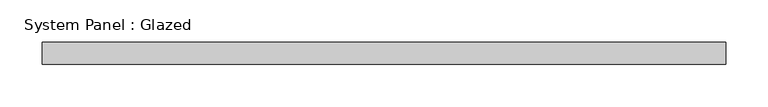
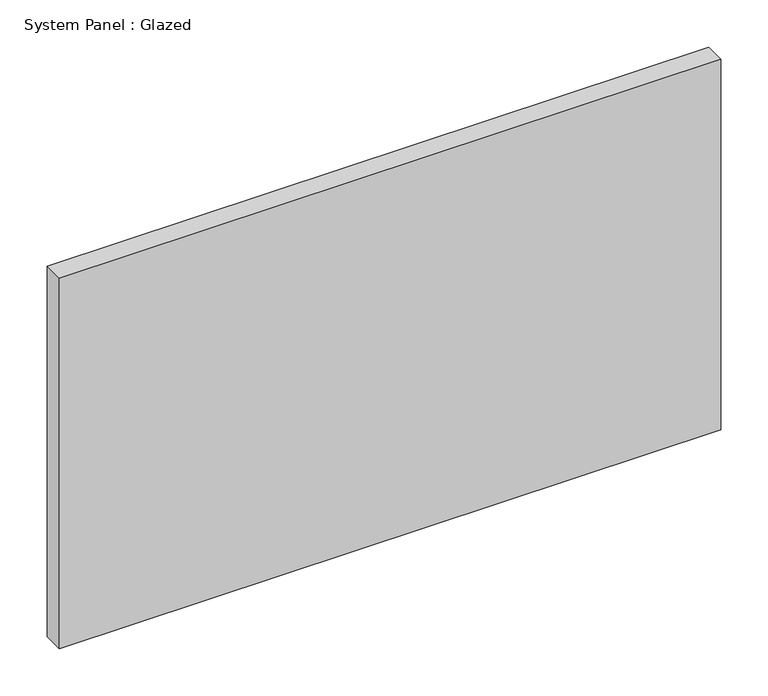
"""IFC4 building model written with IfcOpenShell, lengths in millimetres: plate geometry, System Panel : Glazed."""

from ifc_helpers import new_model, si_unit, origin, origin_with_axes, place, context, project, spatial, polyline, outline, extrude, source, transform, mapped, element, save


def system_panel_glazed_3871cc77(model_context):
    return source(origin(), model_context, "Body", "SweptSolid", [
        extrude(outline(polyline([(402.2251713, -12.7), (-402.2251713, -12.7), (-402.2251713, 12.7), (402.2251713, 12.7), (402.2251713, -12.7)])), origin_with_axes(), (0.0, 0.0, 1.0), 476.25),
    ])


if __name__ == "__main__":
    model = new_model("IFC4")
    model_context = context("Model", 3, world=origin())
    ifc_project = project(units=[si_unit("LENGTHUNIT", "METRE", prefix="MILLI")], contexts=[model_context])
    site = spatial("IfcSite", under=ifc_project)
    building = spatial("IfcBuilding", under=site)
    placement = place(None, origin())
    system_panel_glazed_shape = system_panel_glazed_3871cc77(model_context)
    element("IfcPlate", 1, ObjectType="System Panel : Glazed", at=placement, inside=building, context=model_context, shape_type="MappedRepresentation", body=[
        mapped(system_panel_glazed_shape, transform((0.0, 0.0, 0.0), x_axis=(1.0, 0.0, 0.0), y_axis=(0.0, 1.0, 0.0), z_axis=(0.0, 0.0, 1.0))),
    ])
    save(model, "model.ifc")
